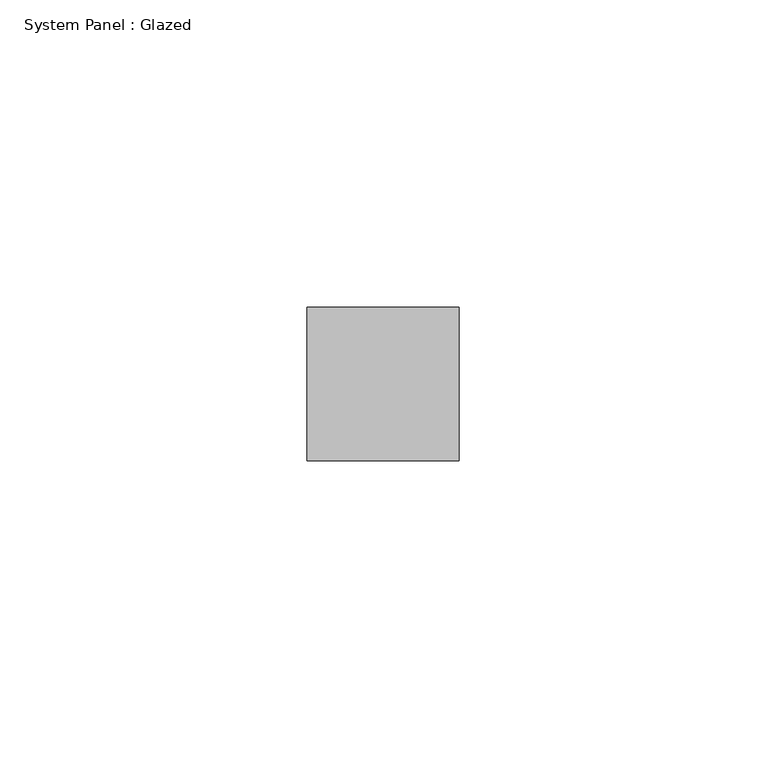
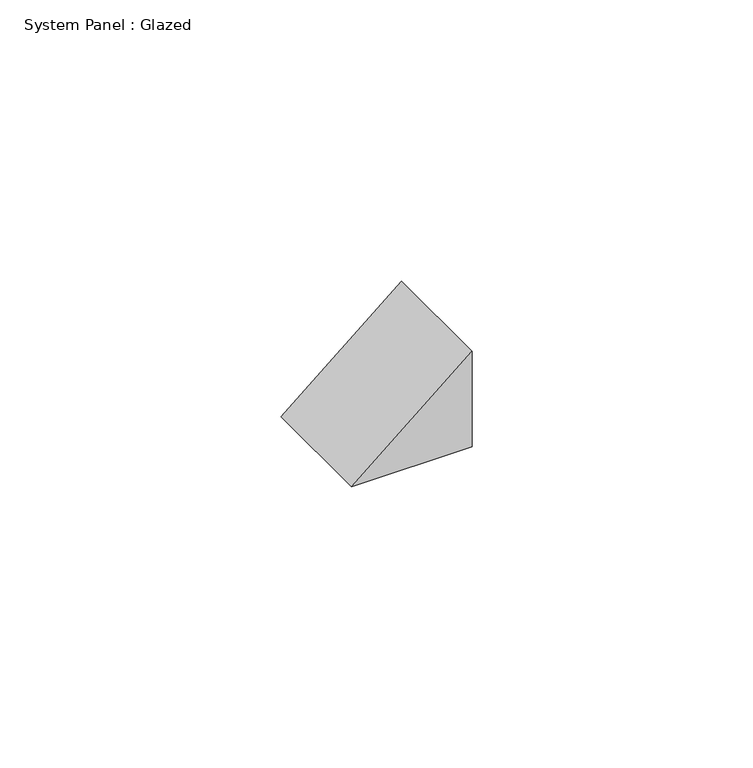
"""IFC4 building model written with IfcOpenShell, lengths in millimetres: plate geometry, System Panel : Glazed."""

from ifc_helpers import new_model, si_unit, frame, origin, place, context, project, spatial, polyline, outline, extrude, source, transform, mapped, element, save


def system_panel_glazed_37e711c1(model_context):
    return source(origin(), model_context, "Body", "SweptSolid", [
        extrude(outline(polyline([(0.0, -12.3696113), (0.0, 12.3696113), (20.7586725, 12.3696113), (0.0, -12.3696113)])), frame((0.0, 24.5, 0.0), z_axis=(0.0, 1.0, 0.0), x_axis=(0.0, 0.0, 1.0)), (0.0, 0.0, 1.0), 25.0),
    ])


if __name__ == "__main__":
    model = new_model("IFC4")
    model_context = context("Model", 3, world=origin())
    ifc_project = project(units=[si_unit("LENGTHUNIT", "METRE", prefix="MILLI")], contexts=[model_context])
    site = spatial("IfcSite", under=ifc_project)
    building = spatial("IfcBuilding", under=site)
    placement = place(None, origin())
    system_panel_glazed_shape = system_panel_glazed_37e711c1(model_context)
    element("IfcPlate", 1, ObjectType="System Panel : Glazed", at=placement, inside=building, context=model_context, shape_type="MappedRepresentation", body=[
        mapped(system_panel_glazed_shape, transform((0.0, 0.0, 0.0), x_axis=(1.0, 0.0, 0.0), y_axis=(0.0, 1.0, 0.0), z_axis=(0.0, 0.0, 1.0))),
    ])
    save(model, "model.ifc")
